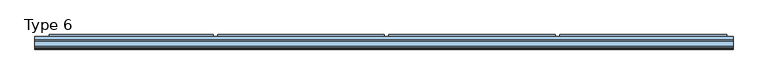
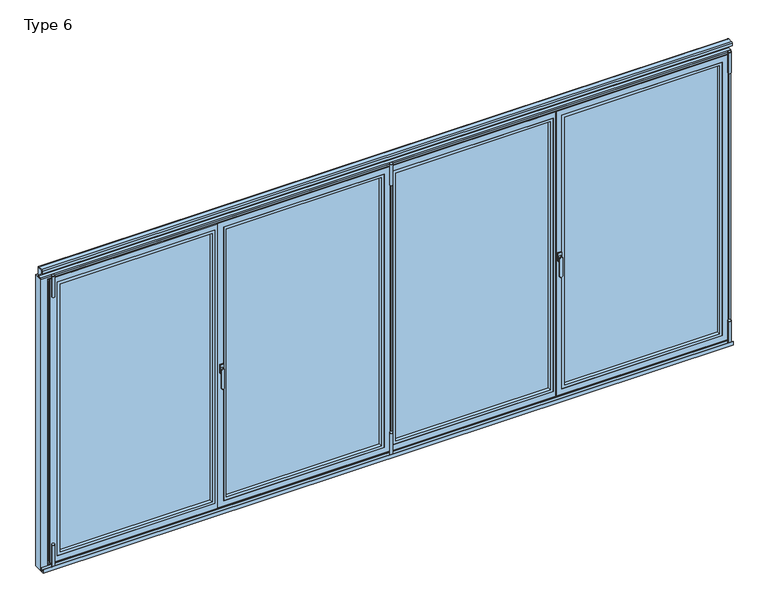
"""IFC4 building model written with IfcOpenShell, lengths in millimetres: window geometry, Type 6."""

from ifc_helpers import new_model, si_unit, point, frame, frame_2d, origin, place, context, project, spatial, polyline, circle_curve, trimmed, segment, composite_curve, outline, extrude, faceted_brep, source, transform, mapped, element, save
from ifc_brep_helpers import plane_surface, revolved_surface, advanced_brep


def type_6_0253f837(model_context):
    return source(origin(), model_context, "Body", "SolidModel", [
        advanced_brep(
        [(-1131.0, 11.0, 1028.0), (-1153.0, 11.0, 1028.0), (-1152.0, 3.5, 1028.0), (-1132.0, 3.5, 1028.0), (-1133.0, -4.0, 896.6867153), (-1133.0, -4.0, 1028.0), (-1151.0, -4.0, 1028.0), (-1151.0, -4.0, 896.6867153), (-1132.0, 3.5, 896.6867153), (-1152.0, 3.5, 896.6867153)],
        [
            (0, 1, circle_curve(frame((-1142.0, 11.0, 1028.0), z_axis=(0.0, 1.0, 0.0), x_axis=(-1.0, 0.0, 0.0)), 11.0)),
            (1, 0, circle_curve(frame((-1142.0, 11.0, 1028.0), z_axis=(0.0, 1.0, 0.0), x_axis=(1.0, 0.0, 0.0)), 11.0)),
            (1, 2),
            (2, 3, circle_curve(frame((-1142.0, 3.5, 1028.0), z_axis=(0.0, 1.0, 0.0), x_axis=(1.0, 0.0, 0.0)), 10.0)),
            (3, 0),
            (3, 2, circle_curve(frame((-1142.0, 3.5, 1028.0), z_axis=(0.0, 1.0, 0.0), x_axis=(-1.0, 0.0, 0.0)), 10.0)),
            (4, 5),
            (5, 6, circle_curve(frame((-1142.0, -4.0, 1028.0), z_axis=(0.0, -1.0, 0.0), x_axis=(-1.0, 0.0, 0.0)), 9.0)),
            (6, 7),
            (7, 4, circle_curve(frame((-1142.0, -4.0, 896.6867153), z_axis=(0.0, -1.0, 0.0), x_axis=(1.0, 0.0, 0.0)), 9.0)),
            (8, 9, circle_curve(frame((-1142.0, 3.5, 896.6867153), z_axis=(0.0, 1.0, 0.0), x_axis=(1.0, 0.0, 0.0)), 10.0)),
            (9, 2),
            (3, 8),
            (7, 9),
            (8, 4),
            (6, 2),
            (5, 3),
        ],
        [
            plane_surface(frame((-1142.0, 11.0, 1028.0), z_axis=(0.0, 1.0, 0.0), x_axis=(0.0, 0.0, 1.0))),
            revolved_surface(polyline([(-1152.0, 3.5, 1028.0), (-1153.0, 11.0, 1028.0)]), (-1142.0, -71.5, 1028.0), (0.0, 1.0, 0.0)),
            revolved_surface(polyline([(-1132.0, 3.5, 1028.0), (-1131.0, 11.0, 1028.0)]), (-1142.0, -71.5, 1028.0), (0.0, 1.0, 0.0)),
            plane_surface(frame((-1142.0, -4.0, 962.3433576), z_axis=(0.0, -1.0, 0.0), x_axis=(0.0, 0.0, -1.0))),
            plane_surface(frame((-1142.0, 3.5, 962.3433576), z_axis=(0.0, 1.0, 0.0), x_axis=(0.0, 0.0, -1.0))),
            revolved_surface(polyline([(-1151.0, -4.0, 896.6867153), (-1152.0, 3.5, 896.6867153)]), (-1142.0, -71.5, 896.6867153), (0.0, 1.0, 0.0)),
            plane_surface(frame((-1152.0, 3.5, 962.3433576), z_axis=(-0.9912279006826277, -0.1321637200910704, 0.0), x_axis=(0.0, 0.0, 1.0))),
            revolved_surface(polyline([(-1133.0, -4.0, 1028.0), (-1132.0, 3.5, 1028.0)]), (-1142.0, -71.5, 1028.0), (0.0, 1.0, 0.0)),
            plane_surface(frame((-1132.0, 3.5, 962.3433576), z_axis=(0.9912279006826291, -0.1321637200910603, 0.0), x_axis=(0.0, 0.0, -1.0))),
        ],
        [
            (0, [[1, 2]]),
            (1, [[3, 4, 5, -2]]),
            (2, [[-5, 6, -3, -1]]),
            (3, [[7, 8, 9, 10]]),
            (4, [[11, 12, -6, 13]]),
            (5, [[14, -11, 15, -10]]),
            (6, [[16, -12, -14, -9]]),
            (7, [[17, -4, -16, -8]]),
            (8, [[-15, -13, -17, -7]]),
        ],
    ),
        extrude(outline(polyline([(-1154.0, 11.0), (-1154.0, 20.0), (-1130.0, 20.0), (-1130.0, 11.0), (-1154.0, 11.0)])), frame((0.0, 0.0, 998.0), z_axis=(0.0, 0.0, 1.0), x_axis=(1.0, 0.0, 0.0)), (0.0, 0.0, 1.0), 60.0),
        faceted_brep([(2.0, 80.0, 35.0), (-3.0, 80.0, 35.0), (-1134.5, 80.0, 35.0), (-1139.5, 80.0, 35.0), (-1139.5, 80.0, 2070.0), (-1134.5, 80.0, 2070.0), (-3.0, 80.0, 2070.0), (2.0, 80.0, 2070.0), (-35.5, 80.0, 72.5), (-35.5, 80.0, 2032.5), (-1102.0, 80.0, 2032.5), (-1102.0, 80.0, 72.5), (-1164.5, 20.0, 10.0), (27.0, 20.0, 10.0), (27.0, 20.0, 2095.0), (-1164.5, 20.0, 2095.0), (-1124.5, 20.0, 50.0), (-1124.5, 20.0, 2055.0), (-13.0, 20.0, 2055.0), (-13.0, 20.0, 50.0), (-13.0, 72.75, 2055.0), (-13.0, 72.75, 50.0), (-1124.5, 72.75, 50.0), (-1124.5, 72.75, 2055.0), (-1102.0, 72.75, 72.5), (-1102.0, 72.75, 2032.5), (-35.5, 72.75, 2032.5), (-35.5, 72.75, 72.5), (2.0, 73.0, 2070.0), (2.0, 73.0, 35.0), (-1139.5, 73.0, 35.0), (-1139.5, 73.0, 2070.0), (-3.0, 73.0, 35.0), (-1134.5, 73.0, 35.0), (-1149.5, 73.0, 25.0), (-1149.5, 73.0, 2080.0), (12.0, 73.0, 2080.0), (12.0, 73.0, 25.0), (-3.0, 73.0, 2070.0), (-1134.5, 73.0, 2070.0), (12.0, 27.0, 2080.0), (12.0, 27.0, 25.0), (-1149.5, 27.0, 25.0), (-1149.5, 27.0, 2080.0), (27.0, 27.0, 10.0), (-1164.5, 27.0, 10.0), (-1164.5, 27.0, 2095.0), (27.0, 27.0, 2095.0)], [[[0, 1, 2, 3, 4, 5, 6, 7], [8, 9, 10, 11]], [[12, 13, 14, 15], [16, 17, 18, 19]], [[19, 18, 20, 21]], [[21, 22, 16, 19]], [[22, 23, 17, 16]], [[21, 20, 23, 22], [24, 25, 26, 27]], [[27, 26, 9, 8]], [[8, 11, 24, 27]], [[11, 10, 25, 24]], [[23, 20, 18, 17]], [[10, 9, 26, 25]], [[7, 28, 29, 0]], [[3, 30, 31, 4]], [[29, 32, 33, 30, 3, 2, 1, 0]], [[34, 35, 36, 37], [30, 33, 32, 29, 28, 38, 39, 31]], [[37, 36, 40, 41]], [[42, 34, 37, 41]], [[42, 43, 35, 34]], [[31, 39, 38, 28, 7, 6, 5, 4]], [[40, 36, 35, 43]], [[44, 13, 12, 45]], [[46, 47, 44, 45], [40, 43, 42, 41]], [[14, 47, 46, 15]], [[12, 15, 46, 45]], [[14, 13, 44, 47]]]),
        extrude(outline(polyline([(-13.0, 72.75), (-13.0, 44.75), (-1124.5, 44.75), (-1124.5, 72.75), (-13.0, 72.75)])), frame((0.0, 0.0, 50.0), z_axis=(0.0, 0.0, 1.0), x_axis=(1.0, 0.0, 0.0)), (0.0, 0.0, 1.0), 2005.0),
        extrude(outline(polyline([(2055.0, -13.0), (2055.0, -1124.5), (50.0, -1124.5), (50.0, -13.0), (2055.0, -13.0)]), holes=[polyline([(2035.0009231, -1104.5009231), (2035.0009231, -32.9990769), (69.9990769, -32.9990769), (69.9990769, -1104.5009231), (2035.0009231, -1104.5009231)])]), frame((0.0, 20.5, 0.0), z_axis=(0.0, 1.0, 0.0), x_axis=(0.0, 0.0, 1.0)), (0.0, 0.0, 1.0), 24.25),
        extrude(outline(composite_curve([segment(trimmed(circle_curve(frame_2d((29.5, 6.5)), 10.0), [point((39.5, 6.5))], [point((19.5, 6.5))], False, "CARTESIAN"), True, "CONTINUOUS"), segment(trimmed(circle_curve(frame_2d((29.5, 6.5)), 10.0), [point((19.5, 6.5))], [point((39.5, 6.5))], False, "CARTESIAN"), True, "CONTINUOUS")], self_intersect=False)), frame((0.0, 0.0, -12.0640378), z_axis=(0.0, 0.0, 1.0), x_axis=(1.0, 0.0, 0.0)), (0.0, 0.0, 1.0), 166.5636122),
        extrude(outline(composite_curve([segment(trimmed(circle_curve(frame_2d((29.5, 6.5)), 10.0), [point((19.5, 6.5))], [point((39.5, 6.5))], False, "CARTESIAN"), True, "CONTINUOUS"), segment(trimmed(circle_curve(frame_2d((29.5, 6.5)), 10.0), [point((39.5, 6.5))], [point((19.5, 6.5))], False, "CARTESIAN"), True, "CONTINUOUS")], self_intersect=False)), frame((0.0, 0.0, 1972.5), z_axis=(0.0, 0.0, 1.0), x_axis=(1.0, 0.0, 0.0)), (0.0, 0.0, 1.0), 153.5),
        extrude(outline(polyline([(80.0, 52.8188022), (93.0, 45.3132487), (93.0, 32.2), (80.0, 32.2), (80.0, 52.8188022)])), frame((-1139.5, 0.0, 0.0), z_axis=(1.0, 0.0, 0.0), x_axis=(0.0, 1.0, 0.0)), (0.0, 0.0, 1.0), 1141.5),
        faceted_brep([(7.0, 80.0, 35.0), (7.0, 80.0, 2070.0), (37.0, 80.0, 2070.0), (1168.5, 80.0, 2070.0), (1198.5, 80.0, 2070.0), (1198.5, 80.0, 35.0), (1168.5, 80.0, 35.0), (37.0, 80.0, 35.0), (69.5, 80.0, 72.5), (1136.0, 80.0, 72.5), (1136.0, 80.0, 2032.5), (69.5, 80.0, 2032.5), (1173.5, 20.0, 10.0), (1173.5, 20.0, 2095.0), (1168.5, 20.0, 2095.0), (37.0, 20.0, 2095.0), (32.0, 20.0, 2095.0), (32.0, 20.0, 10.0), (37.0, 20.0, 10.0), (1168.5, 20.0, 10.0), (1158.5, 20.0, 50.0), (47.0, 20.0, 50.0), (47.0, 20.0, 2055.0), (1158.5, 20.0, 2055.0), (47.0, 72.75, 50.0), (47.0, 72.75, 2055.0), (1158.5, 72.75, 50.0), (1158.5, 72.75, 2055.0), (1136.0, 72.75, 72.5), (69.5, 72.75, 72.5), (69.5, 72.75, 2032.5), (1136.0, 72.75, 2032.5), (7.0, 73.0, 35.0), (1198.5, 73.0, 35.0), (1183.5, 73.0, 35.0), (1168.5, 73.0, 35.0), (37.0, 73.0, 35.0), (22.0, 73.0, 35.0), (1183.5, 73.0, 25.0), (22.0, 73.0, 25.0), (22.0, 73.0, 2080.0), (1183.5, 73.0, 2080.0), (1183.5, 73.0, 2070.0), (1168.5, 73.0, 2070.0), (37.0, 73.0, 2070.0), (22.0, 73.0, 2070.0), (22.0, 27.0, 25.0), (22.0, 27.0, 2080.0), (1183.5, 27.0, 25.0), (1173.5, 27.0, 25.0), (1168.5, 27.0, 25.0), (37.0, 27.0, 25.0), (32.0, 27.0, 25.0), (1183.5, 27.0, 2080.0), (32.0, 27.0, 2080.0), (1173.5, 27.0, 2080.0), (7.0, 73.0, 2070.0), (1198.5, 73.0, 2070.0), (37.0, 27.0, 2080.0), (1168.5, 27.0, 2080.0), (1173.5, 27.0, 10.0), (1173.5, 27.0, 2095.0), (32.0, 27.0, 10.0), (32.0, 27.0, 2095.0), (37.0, 27.0, 10.0), (1168.5, 27.0, 10.0), (1168.5, 27.0, 2095.0), (37.0, 27.0, 2095.0)], [[[0, 1, 2, 3, 4, 5, 6, 7], [8, 9, 10, 11]], [[12, 13, 14, 15, 16, 17, 18, 19], [20, 21, 22, 23]], [[21, 24, 25, 22]], [[24, 21, 20, 26]], [[26, 20, 23, 27]], [[24, 26, 27, 25], [28, 29, 30, 31]], [[29, 8, 11, 30]], [[8, 29, 28, 9]], [[9, 28, 31, 10]], [[27, 23, 22, 25]], [[10, 31, 30, 11]], [[32, 0, 7, 6, 5, 33, 34, 35, 36, 37]], [[38, 39, 37, 36, 35, 34]], [[40, 41, 42, 43, 44, 45]], [[39, 46, 47, 40, 45, 37]], [[46, 39, 38, 48, 49, 50, 51, 52]], [[48, 38, 34, 42, 41, 53]], [[47, 46, 52, 54]], [[48, 53, 55, 49]], [[1, 56, 45, 44, 43, 42, 57, 4, 3, 2]], [[53, 41, 40, 47, 54, 58, 59, 55]], [[12, 60, 49, 55, 61, 13]], [[62, 17, 16, 63, 54, 52]], [[17, 62, 64, 65, 60, 12, 19, 18]], [[62, 52, 51, 50, 49, 60, 65, 64]], [[13, 61, 66, 67, 63, 16, 15, 14]], [[61, 55, 59, 58, 54, 63, 67, 66]], [[56, 1, 0, 32]], [[33, 5, 4, 57]], [[33, 57, 42, 34]], [[56, 32, 37, 45]]]),
        extrude(outline(polyline([(47.0, 72.75), (1158.5, 72.75), (1158.5, 44.75), (47.0, 44.75), (47.0, 72.75)])), frame((0.0, 0.0, 50.0), z_axis=(0.0, 0.0, 1.0), x_axis=(1.0, 0.0, 0.0)), (0.0, 0.0, 1.0), 2005.0),
        extrude(outline(polyline([(2055.0, 47.0), (50.0, 47.0), (50.0, 1158.5), (2055.0, 1158.5), (2055.0, 47.0)]), holes=[polyline([(2035.0009231, 1138.5009231), (69.9990769, 1138.5009231), (69.9990769, 66.9990769), (2035.0009231, 66.9990769), (2035.0009231, 1138.5009231)])]), frame((0.0, 20.5, 0.0), z_axis=(0.0, 1.0, 0.0), x_axis=(0.0, 0.0, 1.0)), (0.0, 0.0, 1.0), 24.25),
        extrude(outline(composite_curve([segment(trimmed(circle_curve(frame_2d((29.5, 6.5)), 10.0), [point((19.5, 6.5))], [point((39.5, 6.5))], False, "CARTESIAN"), True, "CONTINUOUS"), segment(trimmed(circle_curve(frame_2d((29.5, 6.5)), 10.0), [point((39.5, 6.5))], [point((19.5, 6.5))], False, "CARTESIAN"), True, "CONTINUOUS")], self_intersect=False)), frame((0.0, 0.0, -12.0640378), z_axis=(0.0, 0.0, 1.0), x_axis=(1.0, 0.0, 0.0)), (0.0, 0.0, 1.0), 166.5636122),
        extrude(outline(composite_curve([segment(trimmed(circle_curve(frame_2d((29.5, 6.5)), 10.0), [point((39.5, 6.5))], [point((19.5, 6.5))], False, "CARTESIAN"), True, "CONTINUOUS"), segment(trimmed(circle_curve(frame_2d((29.5, 6.5)), 10.0), [point((19.5, 6.5))], [point((39.5, 6.5))], False, "CARTESIAN"), True, "CONTINUOUS")], self_intersect=False)), frame((0.0, 0.0, 1972.5), z_axis=(0.0, 0.0, 1.0), x_axis=(1.0, 0.0, 0.0)), (0.0, 0.0, 1.0), 153.5),
        extrude(outline(polyline([(80.0, 52.8188022), (93.0, 45.3132487), (93.0, 32.2), (80.0, 32.2), (80.0, 52.8188022)])), frame((32.0, 0.0, 0.0), z_axis=(1.0, 0.0, 0.0), x_axis=(0.0, 1.0, 0.0)), (0.0, 0.0, 1.0), 1141.5),
        advanced_brep(
        [(1212.0, 11.0, 1028.0), (1190.0, 11.0, 1028.0), (1191.0, 3.5, 1028.0), (1211.0, 3.5, 1028.0), (1210.0, -4.0, 896.6867153), (1210.0, -4.0, 1028.0), (1192.0, -4.0, 1028.0), (1192.0, -4.0, 896.6867153), (1211.0, 3.5, 896.6867153), (1191.0, 3.5, 896.6867153)],
        [
            (0, 1, circle_curve(frame((1201.0, 11.0, 1028.0), z_axis=(0.0, 1.0, 0.0), x_axis=(-1.0, 0.0, 0.0)), 11.0)),
            (1, 0, circle_curve(frame((1201.0, 11.0, 1028.0), z_axis=(0.0, 1.0, 0.0), x_axis=(1.0, 0.0, 0.0)), 11.0)),
            (1, 2),
            (2, 3, circle_curve(frame((1201.0, 3.5, 1028.0), z_axis=(0.0, 1.0, 0.0), x_axis=(1.0, 0.0, 0.0)), 10.0)),
            (3, 0),
            (3, 2, circle_curve(frame((1201.0, 3.5, 1028.0), z_axis=(0.0, 1.0, 0.0), x_axis=(-1.0, 0.0, 0.0)), 10.0)),
            (4, 5),
            (5, 6, circle_curve(frame((1201.0, -4.0, 1028.0), z_axis=(0.0, -1.0, 0.0), x_axis=(-1.0, 0.0, 0.0)), 9.0)),
            (6, 7),
            (7, 4, circle_curve(frame((1201.0, -4.0, 896.6867153), z_axis=(0.0, -1.0, 0.0), x_axis=(1.0, 0.0, 0.0)), 9.0)),
            (8, 9, circle_curve(frame((1201.0, 3.5, 896.6867153), z_axis=(0.0, 1.0, 0.0), x_axis=(1.0, 0.0, 0.0)), 10.0)),
            (9, 2),
            (3, 8),
            (7, 9),
            (8, 4),
            (6, 2),
            (5, 3),
        ],
        [
            plane_surface(frame((1201.0, 11.0, 1028.0), z_axis=(0.0, 1.0, 0.0), x_axis=(0.0, 0.0, 1.0))),
            revolved_surface(polyline([(1191.0, 3.5, 1028.0), (1190.0, 11.0, 1028.0)]), (1201.0, -71.5, 1028.0), (0.0, 1.0, 0.0)),
            revolved_surface(polyline([(1211.0, 3.5, 1028.0), (1212.0, 11.0, 1028.0)]), (1201.0, -71.5, 1028.0), (0.0, 1.0, 0.0)),
            plane_surface(frame((1201.0, -4.0, 962.3433576), z_axis=(0.0, -1.0, 0.0), x_axis=(0.0, 0.0, -1.0))),
            plane_surface(frame((1201.0, 3.5, 962.3433576), z_axis=(0.0, 1.0, 0.0), x_axis=(0.0, 0.0, -1.0))),
            revolved_surface(polyline([(1192.0, -4.0, 896.6867153), (1191.0, 3.5, 896.6867153)]), (1201.0, -71.5, 896.6867153), (0.0, 1.0, 0.0)),
            plane_surface(frame((1191.0, 3.5, 962.3433576), z_axis=(-0.9912279006826277, -0.1321637200910704, 0.0), x_axis=(0.0, 0.0, 1.0))),
            revolved_surface(polyline([(1210.0, -4.0, 1028.0), (1211.0, 3.5, 1028.0)]), (1201.0, -71.5, 1028.0), (0.0, 1.0, 0.0)),
            plane_surface(frame((1211.0, 3.5, 962.3433576), z_axis=(0.9912279006826291, -0.1321637200910603, 0.0), x_axis=(0.0, 0.0, -1.0))),
        ],
        [
            (0, [[1, 2]]),
            (1, [[3, 4, 5, -2]]),
            (2, [[-5, 6, -3, -1]]),
            (3, [[7, 8, 9, 10]]),
            (4, [[11, 12, -6, 13]]),
            (5, [[14, -11, 15, -10]]),
            (6, [[16, -12, -14, -9]]),
            (7, [[17, -4, -16, -8]]),
            (8, [[-15, -13, -17, -7]]),
        ],
    ),
        extrude(outline(polyline([(1189.0, 11.0), (1189.0, 20.0), (1213.0, 20.0), (1213.0, 11.0), (1189.0, 11.0)])), frame((0.0, 0.0, 998.0), z_axis=(0.0, 0.0, 1.0), x_axis=(1.0, 0.0, 0.0)), (0.0, 0.0, 1.0), 60.0),
        faceted_brep([(2345.0, 80.0, 35.0), (2340.0, 80.0, 35.0), (1208.5, 80.0, 35.0), (1203.5, 80.0, 35.0), (1203.5, 80.0, 2070.0), (1208.5, 80.0, 2070.0), (2340.0, 80.0, 2070.0), (2345.0, 80.0, 2070.0), (2307.5, 80.0, 72.5), (2307.5, 80.0, 2032.5), (1241.0, 80.0, 2032.5), (1241.0, 80.0, 72.5), (1178.5, 20.0, 10.0), (2370.0, 20.0, 10.0), (2370.0, 20.0, 2095.0), (1178.5, 20.0, 2095.0), (1218.5, 20.0, 50.0), (1218.5, 20.0, 2055.0), (2330.0, 20.0, 2055.0), (2330.0, 20.0, 50.0), (2330.0, 72.75, 2055.0), (2330.0, 72.75, 50.0), (1218.5, 72.75, 50.0), (1218.5, 72.75, 2055.0), (1241.0, 72.75, 72.5), (1241.0, 72.75, 2032.5), (2307.5, 72.75, 2032.5), (2307.5, 72.75, 72.5), (2345.0, 73.0, 2070.0), (2345.0, 73.0, 35.0), (1203.5, 73.0, 35.0), (1203.5, 73.0, 2070.0), (2340.0, 73.0, 35.0), (1208.5, 73.0, 35.0), (1193.5, 73.0, 25.0), (1193.5, 73.0, 2080.0), (2355.0, 73.0, 2080.0), (2355.0, 73.0, 25.0), (2340.0, 73.0, 2070.0), (1208.5, 73.0, 2070.0), (2355.0, 27.0, 2080.0), (2355.0, 27.0, 25.0), (1193.5, 27.0, 25.0), (1193.5, 27.0, 2080.0), (2370.0, 27.0, 10.0), (1178.5, 27.0, 10.0), (1178.5, 27.0, 2095.0), (2370.0, 27.0, 2095.0)], [[[0, 1, 2, 3, 4, 5, 6, 7], [8, 9, 10, 11]], [[12, 13, 14, 15], [16, 17, 18, 19]], [[19, 18, 20, 21]], [[21, 22, 16, 19]], [[22, 23, 17, 16]], [[21, 20, 23, 22], [24, 25, 26, 27]], [[27, 26, 9, 8]], [[8, 11, 24, 27]], [[11, 10, 25, 24]], [[23, 20, 18, 17]], [[10, 9, 26, 25]], [[7, 28, 29, 0]], [[3, 30, 31, 4]], [[29, 32, 33, 30, 3, 2, 1, 0]], [[34, 35, 36, 37], [30, 33, 32, 29, 28, 38, 39, 31]], [[37, 36, 40, 41]], [[42, 34, 37, 41]], [[42, 43, 35, 34]], [[31, 39, 38, 28, 7, 6, 5, 4]], [[40, 36, 35, 43]], [[44, 13, 12, 45]], [[46, 47, 44, 45], [40, 43, 42, 41]], [[14, 47, 46, 15]], [[12, 15, 46, 45]], [[14, 13, 44, 47]]]),
        extrude(outline(polyline([(2330.0, 72.75), (2330.0, 44.75), (1218.5, 44.75), (1218.5, 72.75), (2330.0, 72.75)])), frame((0.0, 0.0, 50.0), z_axis=(0.0, 0.0, 1.0), x_axis=(1.0, 0.0, 0.0)), (0.0, 0.0, 1.0), 2005.0),
        extrude(outline(polyline([(2055.0, 2330.0), (2055.0, 1218.5), (50.0, 1218.5), (50.0, 2330.0), (2055.0, 2330.0)]), holes=[polyline([(2035.0009231, 1238.4990769), (2035.0009231, 2310.0009231), (69.9990769, 2310.0009231), (69.9990769, 1238.4990769), (2035.0009231, 1238.4990769)])]), frame((0.0, 20.5, 0.0), z_axis=(0.0, 1.0, 0.0), x_axis=(0.0, 0.0, 1.0)), (0.0, 0.0, 1.0), 24.25),
        extrude(outline(composite_curve([segment(trimmed(circle_curve(frame_2d((2372.5, 6.5)), 10.0), [point((2382.5, 6.5))], [point((2362.5, 6.5))], False, "CARTESIAN"), True, "CONTINUOUS"), segment(trimmed(circle_curve(frame_2d((2372.5, 6.5)), 10.0), [point((2362.5, 6.5))], [point((2382.5, 6.5))], False, "CARTESIAN"), True, "CONTINUOUS")], self_intersect=False)), frame((0.0, 0.0, -12.0640378), z_axis=(0.0, 0.0, 1.0), x_axis=(1.0, 0.0, 0.0)), (0.0, 0.0, 1.0), 166.5636122),
        extrude(outline(composite_curve([segment(trimmed(circle_curve(frame_2d((2372.5, 6.5)), 10.0), [point((2362.5, 6.5))], [point((2382.5, 6.5))], False, "CARTESIAN"), True, "CONTINUOUS"), segment(trimmed(circle_curve(frame_2d((2372.5, 6.5)), 10.0), [point((2382.5, 6.5))], [point((2362.5, 6.5))], False, "CARTESIAN"), True, "CONTINUOUS")], self_intersect=False)), frame((0.0, 0.0, 1972.5), z_axis=(0.0, 0.0, 1.0), x_axis=(1.0, 0.0, 0.0)), (0.0, 0.0, 1.0), 153.5),
        extrude(outline(polyline([(80.0, 52.8188022), (93.0, 45.3132487), (93.0, 32.2), (80.0, 32.2), (80.0, 52.8188022)])), frame((1203.5, 0.0, 0.0), z_axis=(1.0, 0.0, 0.0), x_axis=(0.0, 1.0, 0.0)), (0.0, 0.0, 1.0), 1141.5),
        faceted_brep([(-2324.5, 80.0, 35.0), (-2324.5, 80.0, 2070.0), (-2287.0, 80.0, 2070.0), (-1174.5, 80.0, 2070.0), (-1144.5, 80.0, 2070.0), (-1144.5, 80.0, 35.0), (-1174.5, 80.0, 35.0), (-2287.0, 80.0, 35.0), (-2254.5, 80.0, 72.5), (-1207.0, 80.0, 72.5), (-1207.0, 80.0, 2032.5), (-2254.5, 80.0, 2032.5), (-1169.5, 20.0, 10.0), (-1169.5, 20.0, 2095.0), (-2324.5, 20.0, 2095.0), (-2324.5, 20.0, 10.0), (-1184.5, 20.0, 50.0), (-2277.0, 20.0, 50.0), (-2277.0, 20.0, 2055.0), (-1184.5, 20.0, 2055.0), (-2277.0, 72.75, 50.0), (-2277.0, 72.75, 2055.0), (-1184.5, 72.75, 50.0), (-1184.5, 72.75, 2055.0), (-1207.0, 72.75, 72.5), (-2254.5, 72.75, 72.5), (-2254.5, 72.75, 2032.5), (-1207.0, 72.75, 2032.5), (-2324.5, 73.0, 35.0), (-1144.5, 73.0, 35.0), (-1159.5, 73.0, 35.0), (-1174.5, 73.0, 35.0), (-2287.0, 73.0, 35.0), (-2302.0, 73.0, 35.0), (-1159.5, 73.0, 25.0), (-2302.0, 73.0, 25.0), (-2302.0, 73.0, 2080.0), (-1159.5, 73.0, 2080.0), (-1159.5, 73.0, 2070.0), (-1174.5, 73.0, 2070.0), (-2287.0, 73.0, 2070.0), (-2302.0, 73.0, 2070.0), (-2302.0, 27.0, 25.0), (-2302.0, 27.0, 2080.0), (-1169.5, 27.0, 25.0), (-1159.5, 27.0, 25.0), (-1159.5, 27.0, 2080.0), (-1169.5, 27.0, 2080.0), (-2324.5, 73.0, 2070.0), (-1144.5, 73.0, 2070.0), (-1169.5, 27.0, 10.0), (-1169.5, 27.0, 2095.0), (-2324.5, 27.0, 10.0), (-2324.5, 27.0, 2095.0)], [[[0, 1, 2, 3, 4, 5, 6, 7], [8, 9, 10, 11]], [[12, 13, 14, 15], [16, 17, 18, 19]], [[17, 20, 21, 18]], [[20, 17, 16, 22]], [[22, 16, 19, 23]], [[20, 22, 23, 21], [24, 25, 26, 27]], [[25, 8, 11, 26]], [[8, 25, 24, 9]], [[9, 24, 27, 10]], [[23, 19, 18, 21]], [[10, 27, 26, 11]], [[28, 0, 7, 6, 5, 29, 30, 31, 32, 33]], [[34, 35, 33, 32, 31, 30]], [[36, 37, 38, 39, 40, 41]], [[35, 42, 43, 36, 41, 33]], [[44, 42, 35, 34, 45]], [[45, 34, 30, 38, 37, 46]], [[45, 46, 47, 44]], [[1, 48, 41, 40, 39, 38, 49, 4, 3, 2]], [[46, 37, 36, 43, 47]], [[12, 50, 44, 47, 51, 13]], [[52, 50, 12, 15]], [[44, 50, 52, 53, 51, 47, 43, 42]], [[14, 13, 51, 53]], [[48, 1, 0, 28]], [[29, 5, 4, 49]], [[14, 53, 52, 15]], [[29, 49, 38, 30]], [[48, 28, 33, 41]]]),
        extrude(outline(polyline([(-2277.0, 72.75), (-1184.5, 72.75), (-1184.5, 44.75), (-2277.0, 44.75), (-2277.0, 72.75)])), frame((0.0, 0.0, 50.0), z_axis=(0.0, 0.0, 1.0), x_axis=(1.0, 0.0, 0.0)), (0.0, 0.0, 1.0), 2005.0),
        extrude(outline(polyline([(2055.0, -2277.0), (50.0, -2277.0), (50.0, -1184.5), (2055.0, -1184.5), (2055.0, -2277.0)]), holes=[polyline([(2035.0009231, -1204.4990769), (69.9990769, -1204.4990769), (69.9990769, -2257.0009231), (2035.0009231, -2257.0009231), (2035.0009231, -1204.4990769)])]), frame((0.0, 20.5, 0.0), z_axis=(0.0, 1.0, 0.0), x_axis=(0.0, 0.0, 1.0)), (0.0, 0.0, 1.0), 24.25),
        extrude(outline(composite_curve([segment(trimmed(circle_curve(frame_2d((-2313.5, 6.5)), 10.0), [point((-2323.5, 6.5))], [point((-2303.5, 6.5))], False, "CARTESIAN"), True, "CONTINUOUS"), segment(trimmed(circle_curve(frame_2d((-2313.5, 6.5)), 10.0), [point((-2303.5, 6.5))], [point((-2323.5, 6.5))], False, "CARTESIAN"), True, "CONTINUOUS")], self_intersect=False)), frame((0.0, 0.0, -12.0640378), z_axis=(0.0, 0.0, 1.0), x_axis=(1.0, 0.0, 0.0)), (0.0, 0.0, 1.0), 166.5636122),
        extrude(outline(composite_curve([segment(trimmed(circle_curve(frame_2d((-2313.5, 6.5)), 10.0), [point((-2303.5, 6.5))], [point((-2323.5, 6.5))], False, "CARTESIAN"), True, "CONTINUOUS"), segment(trimmed(circle_curve(frame_2d((-2313.5, 6.5)), 10.0), [point((-2323.5, 6.5))], [point((-2303.5, 6.5))], False, "CARTESIAN"), True, "CONTINUOUS")], self_intersect=False)), frame((0.0, 0.0, 1972.5), z_axis=(0.0, 0.0, 1.0), x_axis=(1.0, 0.0, 0.0)), (0.0, 0.0, 1.0), 153.5),
        extrude(outline(polyline([(80.0, 52.8188022), (93.0, 45.3132487), (93.0, 32.2), (80.0, 32.2), (80.0, 52.8188022)])), frame((-2292.0, 0.0, 0.0), z_axis=(1.0, 0.0, 0.0), x_axis=(0.0, 1.0, 0.0)), (0.0, 0.0, 1.0), 1122.5),
        extrude(outline(composite_curve([segment(polyline([(5.0, 2165.0), (5.0, 2182.0)]), True, "CONTINUOUS"), segment(trimmed(circle_curve(frame_2d((13.0, 2182.0)), 8.0), [point((5.0, 2182.0))], [point((13.0, 2190.0))], False, "CARTESIAN"), True, "CONTINUOUS"), segment(polyline([(13.0, 2190.0), (47.0, 2190.0)]), True, "CONTINUOUS"), segment(trimmed(circle_curve(frame_2d((47.0, 2182.0)), 8.0), [point((47.0, 2190.0))], [point((55.0, 2182.0))], False, "CARTESIAN"), True, "CONTINUOUS"), segment(polyline([(55.0, 2182.0), (55.0, 2128.0)]), True, "CONTINUOUS"), segment(trimmed(circle_curve(frame_2d((47.0, 2128.0)), 8.0), [point((55.0, 2128.0))], [point((47.0, 2120.0))], False, "CARTESIAN"), True, "CONTINUOUS"), segment(polyline([(47.0, 2120.0), (41.5, 2120.0), (41.5, 2115.0), (20.0, 2115.0), (20.0, 2124.0), (47.0, 2124.0)]), True, "CONTINUOUS"), segment(trimmed(circle_curve(frame_2d((47.0, 2128.0)), 4.0), [point((47.0, 2124.0))], [point((51.0, 2128.0))], True, "CARTESIAN"), True, "CONTINUOUS"), segment(polyline([(51.0, 2128.0), (51.0, 2182.0)]), True, "CONTINUOUS"), segment(trimmed(circle_curve(frame_2d((47.0, 2182.0)), 4.0), [point((51.0, 2182.0))], [point((47.0, 2186.0))], True, "CARTESIAN"), True, "CONTINUOUS"), segment(polyline([(47.0, 2186.0), (13.0, 2186.0)]), True, "CONTINUOUS"), segment(trimmed(circle_curve(frame_2d((13.0, 2182.0)), 4.0), [point((13.0, 2186.0))], [point((9.0, 2182.0))], True, "CARTESIAN"), True, "CONTINUOUS"), segment(polyline([(9.0, 2182.0), (9.0, 2165.0), (5.0, 2165.0)]), True, "CONTINUOUS")], self_intersect=False)), frame((-2390.0, 0.0, 0.0), z_axis=(1.0, 0.0, 0.0), x_axis=(0.0, 1.0, 0.0)), (0.0, 0.0, 1.0), 4780.0),
        extrude(outline(polyline([(17.4781484, 1.0), (20.0, 1.0), (20.0, -22.0), (-6.5218516, -22.0), (-6.5218516, 1.0), (-3.5218516, 1.0), (-3.5218516, -19.0), (17.4781484, -19.0), (17.4781484, 1.0)])), frame((-2390.0, 0.0, 0.0), z_axis=(1.0, 0.0, 0.0), x_axis=(0.0, 1.0, 0.0)), (0.0, 0.0, 1.0), 4780.0),
        extrude(outline(polyline([(-2333.5, 42.36621), (-2325.497268, 42.36621), (-2325.497268, 57.1162538), (-2333.5, 57.1162538), (-2333.5, 73.0), (-2302.0, 73.0), (-2302.0, 27.0), (-2333.5, 27.0), (-2333.5, 42.36621)])), frame((0.0, 0.0, 25.0), z_axis=(0.0, 0.0, 1.0), x_axis=(1.0, 0.0, 0.0)), (0.0, 0.0, 1.0), 2055.0),
        extrude(outline(polyline([(-2365.0, 73.0), (-2333.5, 73.0), (-2333.5, 57.1162538), (-2341.502732, 57.1162538), (-2341.502732, 42.36621), (-2333.5, 42.36621), (-2333.5, 27.0), (-2365.0, 27.0), (-2365.0, 73.0)])), frame((0.0, 0.0, 14.5), z_axis=(0.0, 0.0, 1.0), x_axis=(1.0, 0.0, 0.0)), (0.0, 0.0, 1.0), 2075.5),
        faceted_brep([(-2390.0, 80.0, -22.0), (2390.0, 80.0, -22.0), (2390.0, 20.0, -22.0), (-2390.0, 20.0, -22.0), (2390.0, 80.0, 2115.0), (2390.0, 20.0, 2115.0), (-2390.0, 20.0, 2115.0), (2375.0, 20.0, 2100.0), (2375.0, 20.0, 2.0), (-2342.5, 20.0, 2.0), (-2342.5, 20.0, 2100.0), (-2390.0, 80.0, 2115.0), (2350.0, 80.0, 2.0), (2350.0, 80.0, 2075.0), (-2342.5, 80.0, 2075.0), (-2342.5, 80.0, 2.0), (2350.0, 76.5, 2.0), (-2342.5, 76.5, 2.0), (2350.0, 73.0, 2075.0), (2350.0, 76.5, 8.0), (2350.0, 73.0, 18.5), (2375.0, 27.0, 2100.0), (2375.0, 27.0, 2.0), (-2342.5, 27.0, 2.0), (2365.0, 27.0, 2090.0), (2365.0, 27.0, 14.5), (-2342.5, 27.0, 14.5), (-2342.5, 27.0, 2100.0), (-2342.5, 27.0, 2090.0), (2365.0, 73.0, 2090.0), (2365.0, 73.0, 18.5), (2365.0, 66.9723867, 18.5), (2365.0, 62.150282, 14.5), (-2365.0, 62.150282, 14.5), (-2365.0, 27.0, 14.5), (-2365.0, 73.0, 2090.0), (-2365.0, 27.0, 2090.0), (-2365.0, 66.9723867, 18.5), (-2365.0, 73.0, 18.5), (-2342.5, 73.0, 18.5), (-2342.5, 73.0, 2075.0), (-2342.5, 76.5, 8.0)], [[[0, 1, 2, 3]], [[2, 1, 4, 5]], [[2, 5, 6, 3], [7, 8, 9, 10]], [[6, 11, 0, 3]], [[0, 11, 4, 1], [12, 13, 14, 15]], [[16, 12, 15, 17]], [[18, 13, 12, 16, 19, 20]], [[7, 21, 22, 8]], [[8, 22, 23, 9]], [[24, 25, 26, 23, 22, 21, 27, 28]], [[24, 29, 30, 31, 32, 25]], [[32, 33, 34, 26, 25]], [[35, 36, 34, 33, 37, 38]], [[30, 29, 35, 38, 39, 40, 18, 20]], [[37, 31, 30, 20, 39, 38]], [[33, 32, 31, 37]], [[19, 16, 17, 41]], [[20, 19, 41, 39]], [[13, 18, 40, 14]], [[6, 5, 4, 11]], [[21, 7, 10, 27]], [[35, 29, 24, 28, 36]], [[15, 14, 40, 39, 41, 17]], [[26, 28, 27, 10, 9, 23]], [[28, 26, 34, 36]]]),
    ])


if __name__ == "__main__":
    model = new_model("IFC4")
    model_context = context("Model", 3, world=origin())
    ifc_project = project(units=[si_unit("LENGTHUNIT", "METRE", prefix="MILLI")], contexts=[model_context])
    site = spatial("IfcSite", under=ifc_project)
    building = spatial("IfcBuilding", under=site)
    placement = place(None, origin())
    type_6_shape = type_6_0253f837(model_context)
    element("IfcWindow", 1, ObjectType="Type 6", at=placement, inside=building, context=model_context, shape_type="MappedRepresentation", body=[
        mapped(type_6_shape, transform((0.0, 0.0, 0.0), x_axis=(1.0, 0.0, 0.0), y_axis=(0.0, 1.0, 0.0), z_axis=(0.0, 0.0, 1.0))),
    ])
    save(model, "model.ifc")
